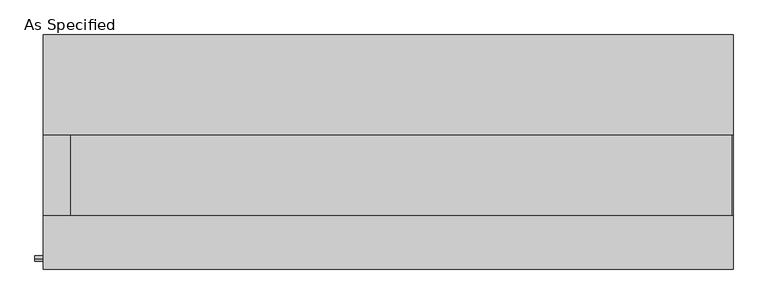
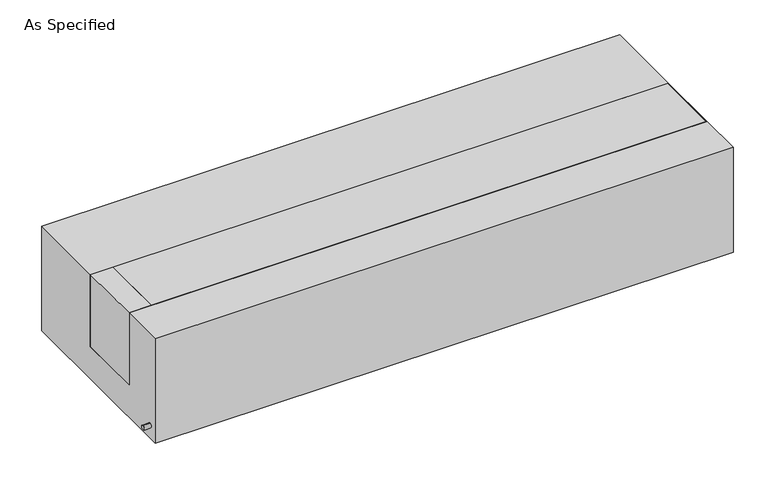
"""IFC4 building model written with IfcOpenShell, lengths in millimetres: proxy geometry, As Specified."""

from ifc_helpers import new_model, si_unit, point, frame, frame_2d, origin, place, context, project, spatial, polyline, circle_curve, trimmed, segment, composite_curve, outline, extrude, source, transform, mapped, element, save


def as_specified_546f7233(model_context):
    return source(origin(), model_context, "Body", "SweptSolid", [
        extrude(outline(composite_curve([segment(trimmed(circle_curve(frame_2d((-407.9875, -466.725)), 10.5), [point((-407.9875, -456.225))], [point((-407.9875, -477.225))], False, "CARTESIAN"), True, "CONTINUOUS"), segment(trimmed(circle_curve(frame_2d((-407.9875, -466.725)), 10.5), [point((-407.9875, -477.225))], [point((-407.9875, -456.225))], False, "CARTESIAN"), True, "CONTINUOUS")], self_intersect=False)), frame((-1351.0528384, 0.0, 0.0), z_axis=(1.0, 0.0, 0.0), x_axis=(0.0, 1.0, 0.0)), (0.0, 0.0, 1.0), 31.8403384),
        extrude(outline(polyline([(-1216.81875, 63.5), (-1216.81875, -241.3), (-1319.2125, -241.3), (-1319.2125, 63.5), (-1216.81875, 63.5)])), frame((0.0, 0.0, -373.0625), z_axis=(0.0, 0.0, 1.0), x_axis=(1.0, 0.0, 0.0)), (0.0, 0.0, 1.0), 347.6625),
        extrude(outline(polyline([(1315.24375, 63.5), (1319.2125, 63.5), (1319.2125, -241.3), (1315.24375, -241.3), (1315.24375, 63.5)])), frame((0.0, 0.0, -39.6875), z_axis=(0.0, 0.0, 1.0), x_axis=(1.0, 0.0, 0.0)), (0.0, 0.0, 1.0), 14.2875),
        extrude(outline(polyline([(1319.2125, 63.5), (1319.2125, -241.3), (-1216.81875, -241.3), (-1216.81875, 63.5), (1319.2125, 63.5)])), frame((0.0, 0.0, -373.0625), z_axis=(0.0, 0.0, 1.0), x_axis=(1.0, 0.0, 0.0)), (0.0, 0.0, 1.0), 347.6625),
        extrude(outline(polyline([(447.675, -25.4), (447.675, -530.225), (-447.675, -530.225), (-447.675, -25.4), (-241.3, -25.4), (-241.3, -373.0625), (63.5, -373.0625), (63.5, -25.4), (447.675, -25.4)])), frame((-1319.2125, 0.0, 0.0), z_axis=(1.0, 0.0, 0.0), x_axis=(0.0, 1.0, 0.0)), (0.0, 0.0, 1.0), 2638.425),
    ])


if __name__ == "__main__":
    model = new_model("IFC4")
    model_context = context("Model", 3, world=origin())
    ifc_project = project(units=[si_unit("LENGTHUNIT", "METRE", prefix="MILLI")], contexts=[model_context])
    site = spatial("IfcSite", under=ifc_project)
    building = spatial("IfcBuilding", under=site)
    placement = place(None, origin())
    as_specified_shape = as_specified_546f7233(model_context)
    element("IfcBuildingElementProxy", 1, Name="As Specified", ObjectType="As Specified", at=placement, inside=building, context=model_context, shape_type="MappedRepresentation", body=[
        mapped(as_specified_shape, transform((0.0, 0.0, 0.0), x_axis=(1.0, 0.0, 0.0), y_axis=(0.0, 1.0, 0.0), z_axis=(0.0, 0.0, 1.0))),
    ])
    save(model, "model.ifc")
